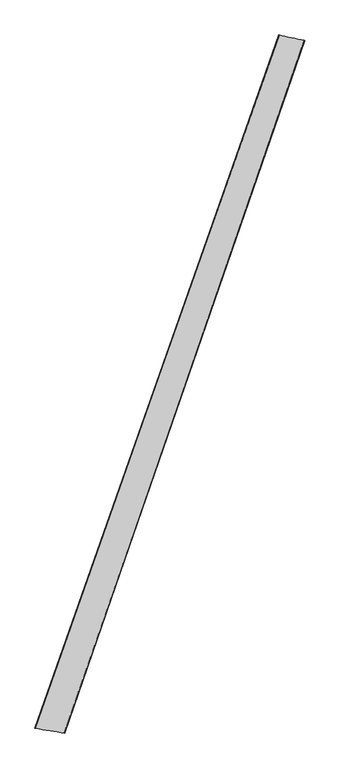
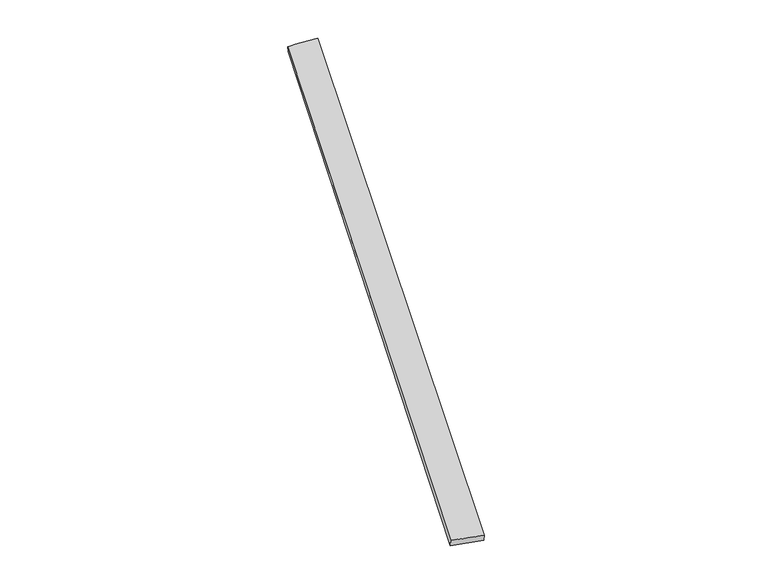
"""IFC4 building model written with IfcOpenShell, lengths in millimetres: proxy geometry."""

from ifc_helpers import new_model, si_unit, origin, place, context, project, spatial, source, transform, mapped, element, save
from ifc_brep_helpers import spline_surface, advanced_brep


def generic_models_47fcec70(model_context):
    return source(origin(), model_context, "Body", "AdvancedBrep", [
        advanced_brep(
        [(-712.3720856, -1804.6759503, 6.8490596), (-711.0727642, -1805.0249307, 36.8188773), (699.7656655, 2215.0206666, 22.0681422), (703.057405, 2213.7531619, -7.7237675), (-538.4682101, -1832.3112314, 22.9049816), (848.820547, 2182.6566224, 37.6327473), (-541.9330667, -1830.999972, -6.8653957), (851.2477473, 2181.9227603, 7.7401037)],
        [
            (0, 1),
            (1, 2),
            (2, 3),
            (3, 0),
            (1, 4),
            (4, 5),
            (5, 2),
            (4, 6),
            (6, 7),
            (7, 5),
            (6, 0),
            (3, 7),
        ],
        [
            spline_surface(1, 1, [[(-712.3720856, -1804.6759503, 6.8490596), (703.057405, 2213.7531619, -7.7237675)], [(-711.0727642, -1805.0249307, 36.8188773), (699.7656655, 2215.0206666, 22.0681422)]], [2, 2], [2, 2], [0.0, 1.0], [0.0, 1.0]),
            spline_surface(1, 1, [[(-711.0727642, -1805.0249307, 36.8188773), (699.7656655, 2215.0206666, 22.0681422)], [(-538.4682101, -1832.3112314, 22.9049816), (848.820547, 2182.6566224, 37.6327473)]], [2, 2], [2, 2], [0.0, 1.0], [0.0, 1.0]),
            spline_surface(1, 1, [[(-538.4682101, -1832.3112314, 22.9049816), (848.820547, 2182.6566224, 37.6327473)], [(-541.9330667, -1830.999972, -6.8653957), (851.2477473, 2181.9227603, 7.7401037)]], [2, 2], [2, 2], [0.0, 1.0], [0.0, 1.0]),
            spline_surface(1, 1, [[(-541.9330667, -1830.999972, -6.8653957), (851.2477473, 2181.9227603, 7.7401037)], [(-712.3720856, -1804.6759503, 6.8490596), (703.057405, 2213.7531619, -7.7237675)]], [2, 2], [2, 2], [0.0, 1.0], [0.0, 1.0]),
            spline_surface(1, 1, [[(699.7656655, 2215.0206666, 22.0681422), (703.057405, 2213.7531619, -7.7237675)], [(848.820547, 2182.6566224, 37.6327473), (851.2477473, 2181.9227603, 7.7401037)]], [2, 2], [2, 2], [0.0, 1.0], [0.0, 1.0]),
            spline_surface(1, 1, [[(-541.9330667, -1830.999972, -6.8653957), (-712.3720856, -1804.6759503, 6.8490596)], [(-538.4682101, -1832.3112314, 22.9049816), (-711.0727642, -1805.0249307, 36.8188773)]], [2, 2], [2, 2], [0.0, 1.0], [0.0, 1.0]),
        ],
        [
            (0, [[1, 2, 3, 4]]),
            (1, [[5, 6, 7, -2]]),
            (2, [[8, 9, 10, -6]]),
            (3, [[11, -4, 12, -9]]),
            (4, [[-3, -7, -10, -12]]),
            (5, [[-11, -8, -5, -1]]),
        ],
    ),
    ])


if __name__ == "__main__":
    model = new_model("IFC4")
    model_context = context("Model", 3, world=origin())
    ifc_project = project(units=[si_unit("LENGTHUNIT", "METRE", prefix="MILLI")], contexts=[model_context])
    site = spatial("IfcSite", under=ifc_project)
    building = spatial("IfcBuilding", under=site)
    placement = place(None, origin())
    generic_models_shape = generic_models_47fcec70(model_context)
    element("IfcBuildingElementProxy", 1, Name="Generic Models", at=placement, inside=building, context=model_context, shape_type="MappedRepresentation", body=[
        mapped(generic_models_shape, transform((0.0, 0.0, 0.0), x_axis=(1.0, 0.0, 0.0), y_axis=(0.0, 1.0, 0.0), z_axis=(0.0, 0.0, 1.0))),
    ])
    save(model, "model.ifc")
